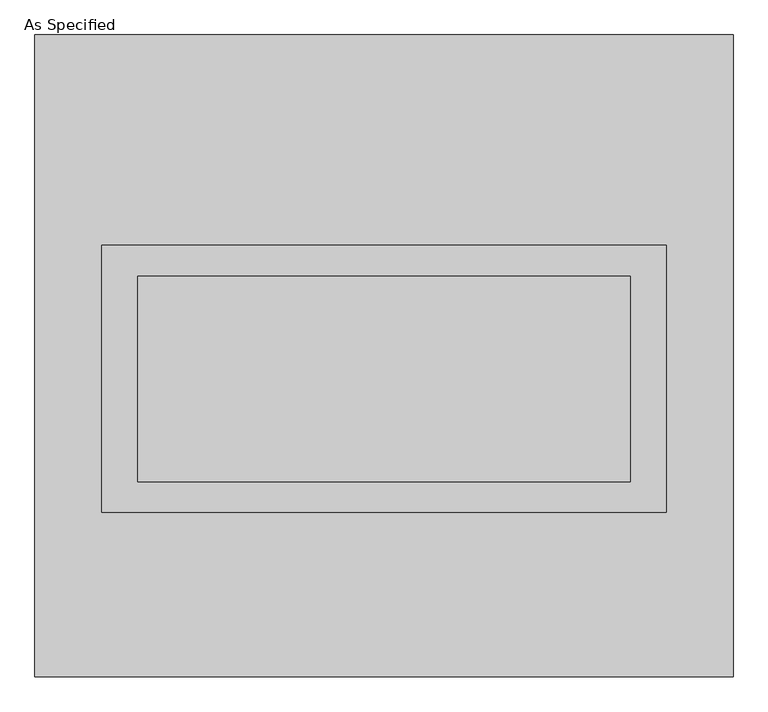
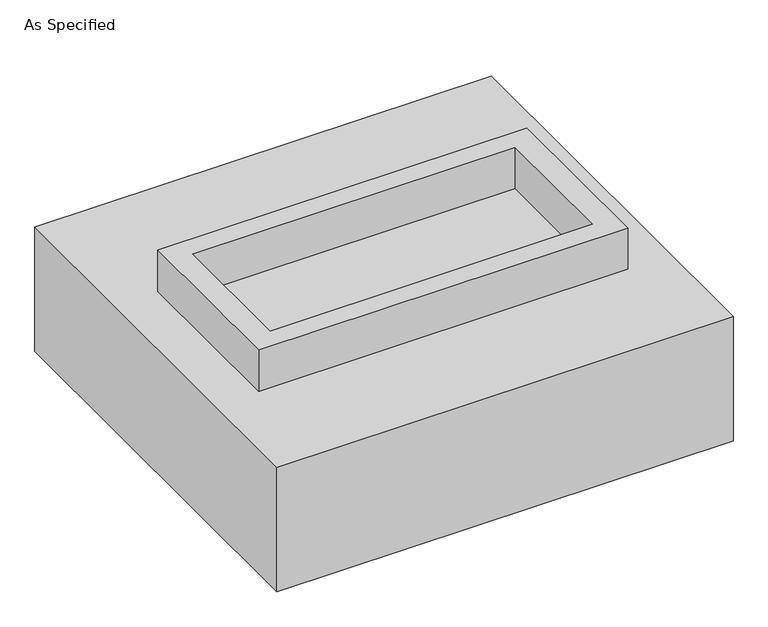
"""IFC4 building model written with IfcOpenShell, lengths in millimetres: proxy geometry, As Specified."""

import ifcopenshell
import ifcopenshell.guid

model = None  # the IFC model being written
_history = None  # IfcOwnerHistory: only IFC2X3 demands one
_inside = {}  # id of a spatial element -> (the spatial element, [elements in it])
_under = {}  # id of a project, library or spatial element -> (it, [spatial elements below it])
_declared = {}  # id of a project -> (the project, [libraries it declares])
_typed = {}  # id of a type object -> (the type object, [elements of that type])
_made_of = {}  # id of a material, layer set ... -> (it, [elements and type objects made of it])


def new_model(schema):
    """Start an empty IFC model of exactly this schema.

    Asked for "IFC4X3", IfcOpenShell would pick the latest addendum, in which some entities
    have other attributes; the version numbers below select the first issue.
    IFC2X3 requires an IfcOwnerHistory on every rooted entity: one is made here for all.
    """
    global model, _history
    if schema == "IFC4X3":
        model = ifcopenshell.file(schema_version=(4, 3, 0, 0))
    else:
        model = ifcopenshell.file(schema=schema)
    _inside.clear()
    _under.clear()
    _declared.clear()
    _typed.clear()
    _made_of.clear()
    _history = None
    if model.schema == "IFC2X3":
        org = make("IfcOrganization", Name="unknown")
        user = make(
            "IfcPersonAndOrganization",
            ThePerson=make("IfcPerson", FamilyName="unknown"),
            TheOrganization=org,
        )
        app = make(
            "IfcApplication",
            ApplicationDeveloper=org,
            Version="unknown",
            ApplicationFullName="unknown",
            ApplicationIdentifier="unknown",
        )
        _history = make(
            "IfcOwnerHistory",
            OwningUser=user,
            OwningApplication=app,
            ChangeAction="ADDED",
            CreationDate=0,
        )
    return model


def make(cls, **values):
    """One entity of the class cls with the attributes given. An attribute that is None is left unset."""
    return model.create_entity(
        cls, **{name: value for name, value in values.items() if value is not None}
    )


def rooted(cls, **values):
    """An entity with a GlobalId (a new one), such as an element, a storey or a relation."""
    return make(cls, GlobalId=ifcopenshell.guid.new(), OwnerHistory=_history, **values)


def si_unit(unit_type, name, prefix=None):
    """IfcSIUnit, for example si_unit("LENGTHUNIT", "METRE", prefix="MILLI")."""
    return make("IfcSIUnit", UnitType=unit_type, Prefix=prefix, Name=name)


def assignment(units):
    """IfcUnitAssignment: the units of a project."""
    return None if units is None else make("IfcUnitAssignment", Units=units)


def point(xyz):
    """IfcCartesianPoint."""
    return None if xyz is None else make("IfcCartesianPoint", Coordinates=xyz)


def direction(xyz):
    """IfcDirection."""
    return None if xyz is None else make("IfcDirection", DirectionRatios=xyz)


def frame(location, z_axis=None, x_axis=None):
    """IfcAxis2Placement3D, a coordinate frame: its origin and axes. An axis left out is left unset."""
    return make(
        "IfcAxis2Placement3D",
        Location=point(location),
        Axis=direction(z_axis),
        RefDirection=direction(x_axis),
    )


def origin():
    """The frame at (0, 0, 0) with its axes left unset."""
    return frame((0.0, 0.0, 0.0))


def place(relative_to, where):
    """IfcLocalPlacement: puts the frame where relative to a parent placement (None: the world)."""
    return make(
        "IfcLocalPlacement", PlacementRelTo=relative_to, RelativePlacement=where
    )


def context(
    kind, dimensions, precision=None, world=None, true_north=None, identifier=None
):
    """IfcGeometricRepresentationContext, for example the 3D "Model" context."""
    return make(
        "IfcGeometricRepresentationContext",
        ContextIdentifier=identifier,
        ContextType=kind,
        CoordinateSpaceDimension=dimensions,
        Precision=precision,
        WorldCoordinateSystem=world,
        TrueNorth=true_north,
    )


def project(units=None, contexts=None):
    """IfcProject with its units and contexts."""
    return rooted(
        "IfcProject",
        Name="project",
        RepresentationContexts=contexts,
        UnitsInContext=assignment(units),
    )


def spatial(cls, under=None, at=None, **own):
    """A site, building, storey or space (cls), placed at a placement, below another one or the project."""
    s = rooted(cls, ObjectPlacement=at, **own)
    if under is not None:
        _under.setdefault(under.id(), (under, []))[1].append(s)
    return s


def polyline(points):
    """IfcPolyline through the points."""
    return make("IfcPolyline", Points=[point(p) for p in points])


def outline(outer, holes=None, kind="AREA"):
    """IfcArbitraryClosedProfileDef: a profile drawn as a closed curve; with holes, ...WithVoids."""
    if holes is None:
        return make("IfcArbitraryClosedProfileDef", ProfileType=kind, OuterCurve=outer)
    return make(
        "IfcArbitraryProfileDefWithVoids",
        ProfileType=kind,
        OuterCurve=outer,
        InnerCurves=holes,
    )


def extrude(swept, where, along, depth):
    """IfcExtrudedAreaSolid: the profile swept, set in the frame where, extruded along a direction by depth."""
    return make(
        "IfcExtrudedAreaSolid",
        SweptArea=swept,
        Position=where,
        ExtrudedDirection=direction(along),
        Depth=depth,
    )


def faces_of(points, faces, orient=None, outer=None):
    """IfcFace entities. A face is a list of loops; a loop is a list of indices into points, from 0.

    orient and outer hold one flag for each loop. By default every Orientation is true, the
    first loop of a face is its IfcFaceOuterBound and the others are IfcFaceBound.
    """
    made = []
    for i, loops in enumerate(faces):
        bounds = []
        for j, loop in enumerate(loops):
            is_outer = j == 0 if outer is None else outer[i][j]
            bounds.append(
                make(
                    "IfcFaceOuterBound" if is_outer else "IfcFaceBound",
                    Bound=make("IfcPolyLoop", Polygon=[points[k] for k in loop]),
                    Orientation=True if orient is None else orient[i][j],
                )
            )
        made.append(make("IfcFace", Bounds=bounds))
    return made


def faceted_brep(points, faces, orient=None, outer=None, voids=None):
    """IfcFacetedBrep: a solid bounded by flat faces; with voids (closed shells), ...WithVoids."""
    shared = [point(p) for p in points]
    hull = make("IfcClosedShell", CfsFaces=faces_of(shared, faces, orient, outer))
    if voids is None:
        return make("IfcFacetedBrep", Outer=hull)
    return make(
        "IfcFacetedBrepWithVoids",
        Outer=hull,
        Voids=[
            make(cls, CfsFaces=faces_of(shared, fs, o, b)) for cls, fs, o, b in voids
        ],
    )


def shape(context_of_items, identifier, shape_type, items):
    """IfcShapeRepresentation: the items that make up one representation, for example the "Body"."""
    return make(
        "IfcShapeRepresentation",
        ContextOfItems=context_of_items,
        RepresentationIdentifier=identifier,
        RepresentationType=shape_type,
        Items=items,
    )


def source(mapping_origin, context_of_items, identifier, shape_type, items):
    """IfcRepresentationMap: a shape defined once, which mapped items show again and again."""
    return make(
        "IfcRepresentationMap",
        MappingOrigin=mapping_origin,
        MappedRepresentation=shape(context_of_items, identifier, shape_type, items),
    )


def transform(
    local_origin,
    x_axis=None,
    y_axis=None,
    z_axis=None,
    scale=None,
    scale2=None,
    scale3=None,
    uniform=True,
):
    """IfcCartesianTransformationOperator3D, or its non-uniform kind. x_axis, y_axis, z_axis: its Axis1, 2, 3."""
    if uniform:
        return make(
            "IfcCartesianTransformationOperator3D",
            Axis1=direction(x_axis),
            Axis2=direction(y_axis),
            LocalOrigin=point(local_origin),
            Scale=scale,
            Axis3=direction(z_axis),
        )
    return make(
        "IfcCartesianTransformationOperator3DnonUniform",
        Axis1=direction(x_axis),
        Axis2=direction(y_axis),
        LocalOrigin=point(local_origin),
        Scale=scale,
        Axis3=direction(z_axis),
        Scale2=scale2,
        Scale3=scale3,
    )


def mapped(mapping_source, mapping_target):
    """IfcMappedItem: shows the shape of a source again, moved by a transform."""
    return make(
        "IfcMappedItem", MappingSource=mapping_source, MappingTarget=mapping_target
    )


def made_of(thing, what):
    """Note that an element or type object is made of a material, layer set ...; save() writes the relation."""
    if what is not None:
        _made_of.setdefault(what.id(), (what, []))[1].append(thing)
    return thing


def element(
    cls,
    number,
    at=None,
    inside=None,
    cuts=None,
    type_object=None,
    material=None,
    context=None,
    identifier="Body",
    shape_type=None,
    held_by="IfcProductDefinitionShape",
    body=None,
    shapes=None,
    **own,
):
    """One element of the class cls, such as IfcWall. Its Tag is "e" and its number.

    at: its placement. inside: the storey or other place that contains it. cuts: it is an
    opening in that element (IfcRelVoidsElement). A single representation is given by context,
    identifier, shape_type and body (its items); several are given by shapes. held_by: the class
    of the entity that holds the representations. save() writes the other relations.
    """
    e = rooted(cls, Tag="e%d" % number, ObjectPlacement=at, **own)
    if body is not None:
        shapes = [shape(context, identifier, shape_type, body)]
    if shapes is not None:
        e.Representation = make(held_by, Representations=shapes)
    if inside is not None:
        _inside.setdefault(inside.id(), (inside, []))[1].append(e)
    if cuts is not None:
        rooted(
            "IfcRelVoidsElement", RelatingBuildingElement=cuts, RelatedOpeningElement=e
        )
    if type_object is not None:
        _typed.setdefault(type_object.id(), (type_object, []))[1].append(e)
    return made_of(e, material)


def aggregate(whole, parts):
    """IfcRelAggregates: a whole, such as a stair, and the parts it consists of."""
    return rooted("IfcRelAggregates", RelatingObject=whole, RelatedObjects=parts)


def save(model, path):
    """Write the relations noted so far, then the file.

    IfcRelAggregates (storeys below a building ...), IfcRelContainedInSpatialStructure (elements
    in a storey), IfcRelDefinesByType, IfcRelAssociatesMaterial and IfcRelDeclares: one each for
    every whole, place, type object, material and project.
    """
    for whole, parts in _under.values():
        aggregate(whole, parts)
    for where, things in _inside.values():
        rooted(
            "IfcRelContainedInSpatialStructure",
            RelatedElements=things,
            RelatingStructure=where,
        )
    for kind, things in _typed.values():
        rooted("IfcRelDefinesByType", RelatedObjects=things, RelatingType=kind)
    for what, things in _made_of.values():
        rooted("IfcRelAssociatesMaterial", RelatedObjects=things, RelatingMaterial=what)
    for by, libraries in _declared.values():
        rooted("IfcRelDeclares", RelatingContext=by, RelatedDefinitions=libraries)
    model.write(path)


def as_specified_7ef03d79(model_context):
    return source(origin(), model_context, "Body", "SolidModel", [
        extrude(outline(polyline([(698.5, 273.05), (698.5, -387.35), (-698.5, -387.35), (-698.5, 273.05), (698.5, 273.05)]), holes=[polyline([(609.6, 196.85), (-609.6, 196.85), (-609.6, -311.15), (609.6, -311.15), (609.6, 196.85)])]), frame((0.0, 0.0, -25.4), z_axis=(0.0, 0.0, 1.0), x_axis=(1.0, 0.0, 0.0)), (0.0, 0.0, 1.0), 165.1),
        extrude(outline(polyline([(609.6, 196.85), (609.6, -311.15), (-609.6, -311.15), (-609.6, 196.85), (609.6, 196.85)])), frame((0.0, 0.0, -30.3609375), z_axis=(0.0, 0.0, 1.0), x_axis=(1.0, 0.0, 0.0)), (0.0, 0.0, 1.0), 4.9609375),
        faceted_brep([(863.6, -793.75, -523.875), (-863.6, -793.75, -523.875), (-863.6, 793.75, -523.875), (863.6, 793.75, -523.875), (863.6, 793.75, -25.4), (-863.6, 793.75, -25.4), (-863.6, -793.75, -25.4), (863.6, -793.75, -25.4), (698.5, 273.05, -25.4), (698.5, -387.35, -25.4), (-698.5, -387.35, -25.4), (-698.5, 273.05, -25.4), (698.5, 273.05, -498.475), (-698.5, 273.05, -498.475), (-698.5, -387.35, -498.475), (698.5, -387.35, -498.475)], [[[0, 1, 2, 3]], [[4, 5, 6, 7], [8, 9, 10, 11]], [[3, 2, 5, 4]], [[2, 1, 6, 5]], [[0, 3, 4, 7]], [[12, 13, 14, 15]], [[14, 13, 11, 10]], [[13, 12, 8, 11]], [[12, 15, 9, 8]], [[10, 9, 15, 14]], [[1, 0, 7, 6]]]),
    ])


if __name__ == "__main__":
    model = new_model("IFC4")
    model_context = context("Model", 3, world=origin())
    ifc_project = project(units=[si_unit("LENGTHUNIT", "METRE", prefix="MILLI")], contexts=[model_context])
    site = spatial("IfcSite", under=ifc_project)
    building = spatial("IfcBuilding", under=site)
    placement = place(None, origin())
    as_specified_shape = as_specified_7ef03d79(model_context)
    element("IfcBuildingElementProxy", 1, Name="As Specified", ObjectType="As Specified", at=placement, inside=building, context=model_context, shape_type="MappedRepresentation", body=[
        mapped(as_specified_shape, transform((0.0, 0.0, 0.0), x_axis=(1.0, 0.0, 0.0), y_axis=(0.0, 1.0, 0.0), z_axis=(0.0, 0.0, 1.0))),
    ])
    save(model, "model.ifc")
